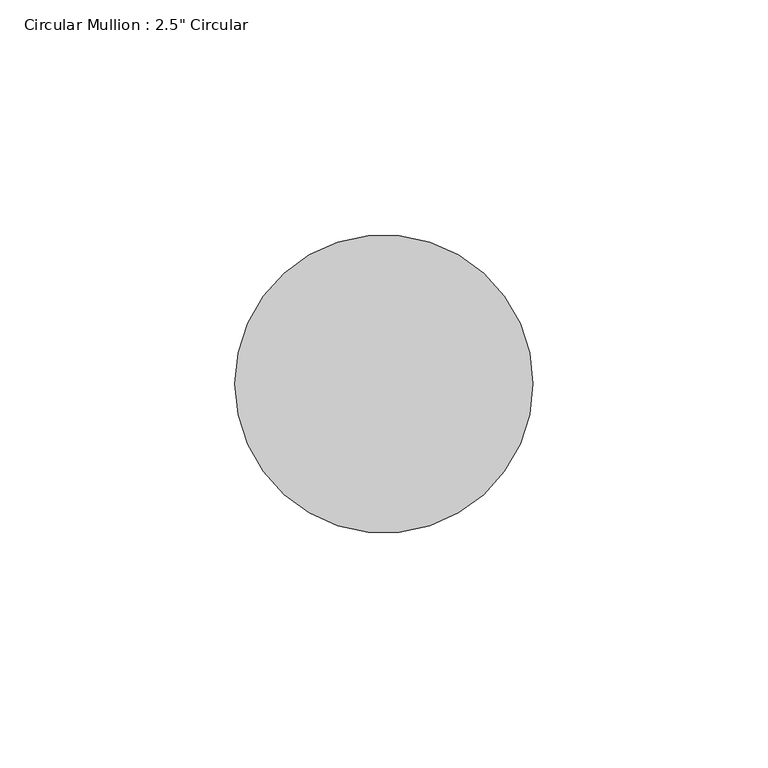
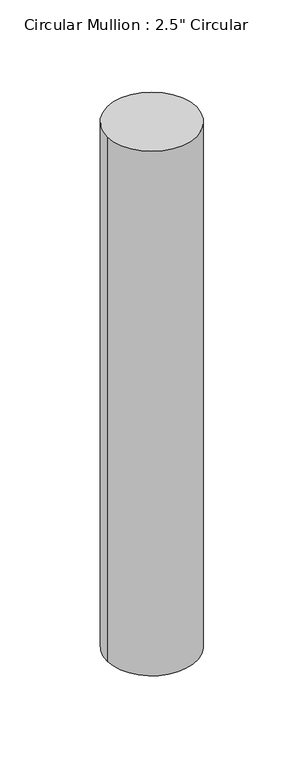
"""IFC4 building model written with IfcOpenShell, lengths in millimetres: member geometry."""

from ifc_helpers import new_model, si_unit, point, frame, frame_2d, origin, place, context, project, spatial, circle_curve, trimmed, segment, composite_curve, outline, extrude, source, transform, mapped, element, save


def member_a9fdea4a(model_context):
    return source(origin(), model_context, "Body", "SweptSolid", [
        extrude(outline(composite_curve([segment(trimmed(circle_curve(frame_2d((-31.75, 0.0)), 31.75), [point((0.0, 0.0))], [point((-63.5, 0.0))], False, "CARTESIAN"), True, "CONTINUOUS"), segment(trimmed(circle_curve(frame_2d((-31.75, 0.0)), 31.75), [point((-63.5, 0.0))], [point((0.0, 0.0))], False, "CARTESIAN"), True, "CONTINUOUS")], self_intersect=False)), frame((0.0, 0.0, -393.7), z_axis=(0.0, 0.0, 1.0), x_axis=(1.0, 0.0, 0.0)), (0.0, 0.0, 1.0), 393.7),
    ])


if __name__ == "__main__":
    model = new_model("IFC4")
    model_context = context("Model", 3, world=origin())
    ifc_project = project(units=[si_unit("LENGTHUNIT", "METRE", prefix="MILLI")], contexts=[model_context])
    site = spatial("IfcSite", under=ifc_project)
    building = spatial("IfcBuilding", under=site)
    placement = place(None, origin())
    member_shape = member_a9fdea4a(model_context)
    element("IfcMember", 1, ObjectType="Circular Mullion : 2.5\" Circular", at=placement, inside=building, context=model_context, shape_type="MappedRepresentation", body=[
        mapped(member_shape, transform((0.0, 0.0, 0.0), x_axis=(1.0, 0.0, 0.0), y_axis=(0.0, 1.0, 0.0), z_axis=(0.0, 0.0, 1.0))),
    ])
    save(model, "model.ifc")
